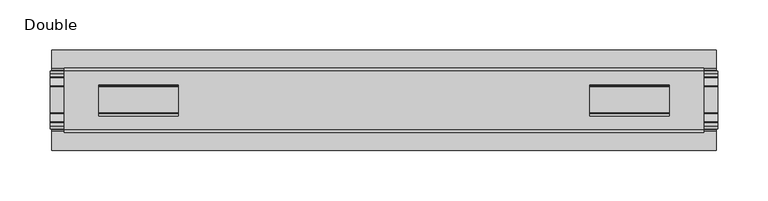
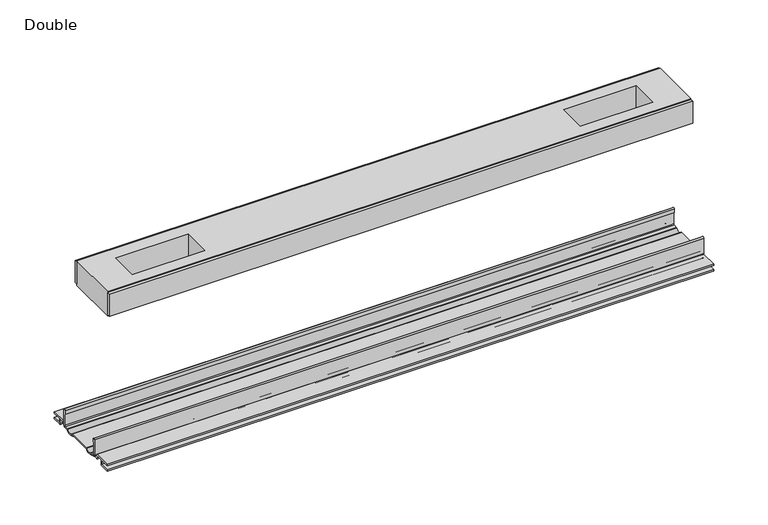
"""IFC4 building model written with IfcOpenShell, lengths in millimetres: proxy geometry, Double."""

from ifc_helpers import new_model, si_unit, point, frame, frame_2d, origin, place, context, project, spatial, polyline, circle_curve, trimmed, segment, composite_curve, outline, extrude, source, transform, mapped, element, save


def double_4403334b(model_context):
    return source(origin(), model_context, "Body", "SweptSolid", [
        extrude(outline(polyline([(318.4014375, -29.0068005), (318.4014375, -32.1817997), (-318.4014375, -32.1817997), (-318.4014375, -29.0068005), (318.4014375, -29.0068005)])), frame((0.0, 0.0, 149.8401622), z_axis=(0.0, 0.0, 1.0), x_axis=(1.0, 0.0, 0.0)), (0.0, 0.0, 1.0), 25.3999939),
        extrude(outline(polyline([(318.4014375, 32.1817997), (318.4014375, 29.0068005), (-318.4014375, 29.0068005), (-318.4014375, 32.1817997), (318.4014375, 32.1817997)])), frame((0.0, 0.0, 149.8401622), z_axis=(0.0, 0.0, 1.0), x_axis=(1.0, 0.0, 0.0)), (0.0, 0.0, 1.0), 25.3999939),
        extrude(outline(polyline([(318.4014375, 29.0068005), (318.4014375, -29.0068005), (-318.4014375, -29.0068005), (-318.4014375, 29.0068005), (318.4014375, 29.0068005)]), holes=[polyline([(283.9844249, 15.1130038), (204.9396131, 15.1130038), (204.9396131, -15.875003), (283.9844249, -15.875003), (283.9844249, 15.1130038)]), polyline([(-283.9844249, 15.1130038), (-283.9844249, -15.875003), (-204.9396131, -15.875003), (-204.9396131, 15.1130038), (-283.9844249, 15.1130038)])]), frame((0.0, 0.0, 148.4185847), z_axis=(0.0, 0.0, 1.0), x_axis=(1.0, 0.0, 0.0)), (0.0, 0.0, 1.0), 27.9999988),
        extrude(outline(composite_curve([segment(polyline([(-28.8162961, -7.7516037), (-28.8162961, 9.8607558)]), True, "CONTINUOUS"), segment(trimmed(circle_curve(frame_2d((-27.5970982, 9.8607558)), 1.2191979), [point((-28.8162961, 9.8607558))], [point((-26.3779003, 9.8607558))], False, "CARTESIAN"), True, "CONTINUOUS"), segment(polyline([(-26.3779003, 9.8607558), (-26.3779003, 5.9999563), (-27.6580769, 5.9999563), (-27.6580769, -7.7516037)]), True, "CONTINUOUS"), segment(trimmed(circle_curve(frame_2d((-26.6420561, -7.7516037)), 1.0160208), [point((-27.6580769, -7.7516037))], [point((-26.6485732, -8.7676036))], True, "CARTESIAN"), True, "CONTINUOUS"), segment(polyline([(-26.6485732, -8.7676036), (-22.7056226, -8.7676036), (-21.7922609, -8.968753)]), True, "CONTINUOUS"), segment(trimmed(circle_curve(frame_2d((-17.7673021, -6.1259382)), 4.9276657), [point((-21.7922609, -8.968753))], [point((-13.7423434, -8.968753))], True, "CARTESIAN"), True, "CONTINUOUS"), segment(polyline([(-13.7423434, -8.968753), (-12.8289726, -8.7676036), (13.2099722, -8.7676036), (14.123343, -8.968753)]), True, "CONTINUOUS"), segment(trimmed(circle_curve(frame_2d((18.1483018, -6.1259382)), 4.9276657), [point((14.123343, -8.968753))], [point((22.1732605, -8.968753))], True, "CARTESIAN"), True, "CONTINUOUS"), segment(polyline([(22.1732605, -8.968753), (23.0866222, -8.7676036), (27.0295728, -8.7676036)]), True, "CONTINUOUS"), segment(trimmed(circle_curve(frame_2d((27.0230557, -7.7516037)), 1.0160208), [point((27.0295728, -8.7676036))], [point((28.0390765, -7.7516037))], True, "CARTESIAN"), True, "CONTINUOUS"), segment(polyline([(28.0390765, -7.7516037), (28.0390765, 5.9999563), (26.7588999, 5.9999563), (26.7588999, 9.8607558)]), True, "CONTINUOUS"), segment(trimmed(circle_curve(frame_2d((27.9780978, 9.8607558)), 1.2191979), [point((26.7588999, 9.8607558))], [point((29.1972958, 9.8607558))], False, "CARTESIAN"), True, "CONTINUOUS"), segment(polyline([(29.1972958, 9.8607558), (29.1972958, -7.7516037)]), True, "CONTINUOUS"), segment(trimmed(circle_curve(frame_2d((27.0230557, -7.7516037)), 2.17424), [point((29.1972958, -7.7516037))], [point((27.0230557, -9.9258438))], False, "CARTESIAN"), True, "CONTINUOUS"), segment(polyline([(27.0230557, -9.9258438), (22.732069, -9.9258438)]), True, "CONTINUOUS"), segment(trimmed(circle_curve(frame_2d((18.1516545, -6.4800016)), 5.7318431), [point((22.732069, -9.9258438))], [point((13.57124, -9.9258438))], False, "CARTESIAN"), True, "CONTINUOUS"), segment(polyline([(13.57124, -9.9258438), (-13.1902404, -9.9258438)]), True, "CONTINUOUS"), segment(trimmed(circle_curve(frame_2d((-17.7706549, -6.4800016)), 5.7318431), [point((-13.1902404, -9.9258438))], [point((-22.3510694, -9.9258438))], False, "CARTESIAN"), True, "CONTINUOUS"), segment(polyline([(-22.3510694, -9.9258438), (-26.6420561, -9.9258438)]), True, "CONTINUOUS"), segment(trimmed(circle_curve(frame_2d((-26.6420561, -7.7516037)), 2.17424), [point((-26.6420561, -9.9258438))], [point((-28.8162961, -7.7516037))], False, "CARTESIAN"), True, "CONTINUOUS")], self_intersect=False)), frame((-332.4603284, 0.0, 0.0), z_axis=(1.0, 0.0, 0.0), x_axis=(0.0, 1.0, 0.0)), (0.0, 0.0, 1.0), 664.9206568),
        extrude(outline(composite_curve([segment(polyline([(-50.2668422, -13.9898438), (-50.2240211, -12.3388438), (-39.7827507, -12.3388438), (-39.7827507, -7.766844), (-50.2240211, -7.766844), (-50.2668422, -6.1158439), (-31.1784975, -6.1158439)]), True, "CONTINUOUS"), segment(trimmed(circle_curve(frame_2d((-31.1784975, -7.6398436)), 1.5239997), [point((-31.1784975, -6.1158439))], [point((-29.6544978, -7.6398436))], False, "CARTESIAN"), True, "CONTINUOUS"), segment(polyline([(-29.6544978, -7.6398436), (-29.6544978, -9.9258438), (-23.1058344, -9.9258438)]), True, "CONTINUOUS"), segment(trimmed(circle_curve(frame_2d((-17.7673021, -5.2268471)), 7.1119966), [point((-23.1058344, -9.9258438))], [point((-12.4287699, -9.9258438))], True, "CARTESIAN"), True, "CONTINUOUS"), segment(polyline([(-12.4287699, -9.9258438), (12.8097695, -9.9258438)]), True, "CONTINUOUS"), segment(trimmed(circle_curve(frame_2d((18.1483018, -5.2268471)), 7.1119966), [point((12.8097695, -9.9258438))], [point((23.486834, -9.9258438))], True, "CARTESIAN"), True, "CONTINUOUS"), segment(polyline([(23.486834, -9.9258438), (30.0354975, -9.9258438), (30.0354975, -7.7656583)]), True, "CONTINUOUS"), segment(trimmed(circle_curve(frame_2d((31.6864982, -7.7656583)), 1.6510007), [point((30.0354975, -7.7656583))], [point((31.6239218, -6.1158439))], False, "CARTESIAN"), True, "CONTINUOUS"), segment(polyline([(31.6239218, -6.1158439), (50.00625, -6.1158439), (50.00625, -7.766844), (40.1637503, -7.766844), (40.1637503, -12.3388438), (50.00625, -12.3388438), (50.00625, -13.9898438), (40.0367518, -13.9898438)]), True, "CONTINUOUS"), segment(trimmed(circle_curve(frame_2d((40.0367518, -12.4658438)), 1.524), [point((40.0367518, -13.9898438))], [point((38.5127519, -12.4658438))], False, "CARTESIAN"), True, "CONTINUOUS"), segment(polyline([(38.5127519, -12.4658438), (38.5127519, -7.766844), (31.686497, -7.766844), (31.686497, -10.0528438)]), True, "CONTINUOUS"), segment(trimmed(circle_curve(frame_2d((30.1624971, -10.0528438)), 1.524), [point((31.686497, -10.0528438))], [point((30.1624971, -11.5768438))], False, "CARTESIAN"), True, "CONTINUOUS"), segment(polyline([(30.1624971, -11.5768438), (23.6563549, -11.5768438)]), True, "CONTINUOUS"), segment(trimmed(circle_curve(frame_2d((18.1483018, -6.4968436)), 7.4930002), [point((23.6563549, -11.5768438))], [point((12.8904968, -11.8354331))], False, "CARTESIAN"), True, "CONTINUOUS"), segment(polyline([(12.8904968, -11.8354331), (-12.5094972, -11.8354331)]), True, "CONTINUOUS"), segment(trimmed(circle_curve(frame_2d((-17.7673021, -6.4968436)), 7.4930002), [point((-12.5094972, -11.8354331))], [point((-23.2753553, -11.5768438))], False, "CARTESIAN"), True, "CONTINUOUS"), segment(polyline([(-23.2753553, -11.5768438), (-29.7814974, -11.5768438)]), True, "CONTINUOUS"), segment(trimmed(circle_curve(frame_2d((-29.7814974, -10.0528438)), 1.524), [point((-29.7814974, -11.5768438))], [point((-31.3054974, -10.0528438))], False, "CARTESIAN"), True, "CONTINUOUS"), segment(polyline([(-31.3054974, -10.0528438), (-31.3054974, -7.766844), (-38.1317522, -7.766844), (-38.1317522, -12.4658438)]), True, "CONTINUOUS"), segment(trimmed(circle_curve(frame_2d((-39.6557522, -12.4658438)), 1.524), [point((-38.1317522, -12.4658438))], [point((-39.6557522, -13.9898438))], False, "CARTESIAN"), True, "CONTINUOUS"), segment(polyline([(-39.6557522, -13.9898438), (-50.2668422, -13.9898438)]), True, "CONTINUOUS")], self_intersect=False)), frame((-330.8093284, 0.0, 0.0), z_axis=(1.0, 0.0, 0.0), x_axis=(0.0, 1.0, 0.0)), (0.0, 0.0, 1.0), 661.6186568),
    ])


if __name__ == "__main__":
    model = new_model("IFC4")
    model_context = context("Model", 3, world=origin())
    ifc_project = project(units=[si_unit("LENGTHUNIT", "METRE", prefix="MILLI")], contexts=[model_context])
    site = spatial("IfcSite", under=ifc_project)
    building = spatial("IfcBuilding", under=site)
    placement = place(None, origin())
    double_shape = double_4403334b(model_context)
    element("IfcBuildingElementProxy", 1, Name="Double", ObjectType="Double", at=placement, inside=building, context=model_context, shape_type="MappedRepresentation", body=[
        mapped(double_shape, transform((0.0, 0.0, 0.0), x_axis=(1.0, 0.0, 0.0), y_axis=(0.0, 1.0, 0.0), z_axis=(0.0, 0.0, 1.0))),
    ])
    save(model, "model.ifc")
